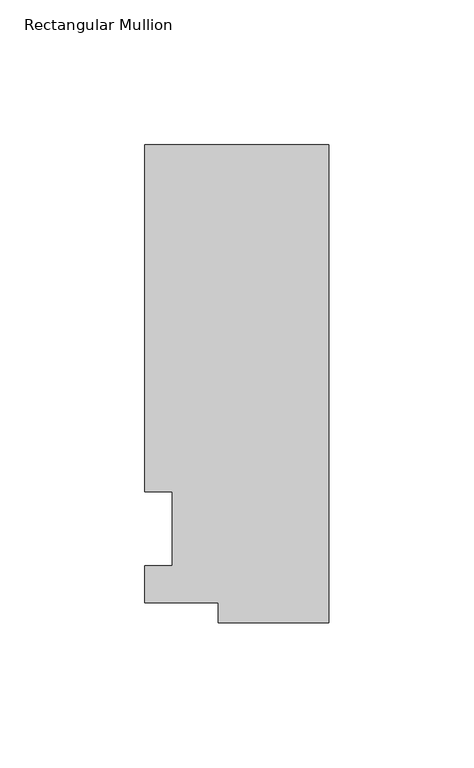
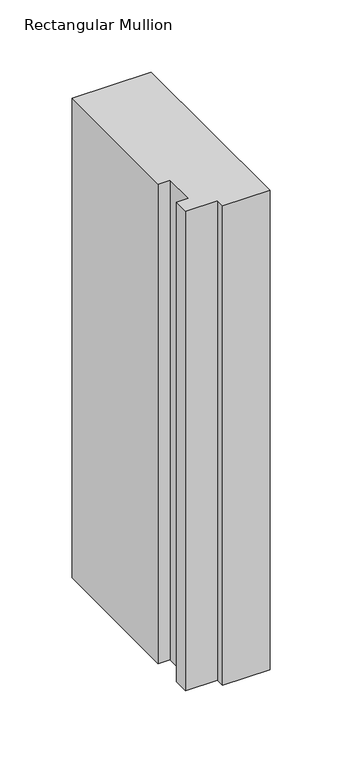
"""IFC4 building model written with IfcOpenShell, lengths in millimetres: member geometry, Rectangular Mullion."""

from ifc_helpers import new_model, si_unit, frame, origin, place, context, project, spatial, polyline, outline, extrude, source, transform, mapped, element, save


def rectangular_mullion_d4e86c1e(model_context):
    return source(origin(), model_context, "Body", "SweptSolid", [
        extrude(outline(polyline([(-38.1, -32.54375), (-38.1, -25.58415), (-63.5, -25.58415), (-63.5, -12.7), (-53.975, -12.7), (-53.975, 12.7), (-63.5, 12.7), (-63.5, 132.55625), (0.0, 132.55625), (0.0, -32.54375), (-38.1, -32.54375)])), frame((0.0, 0.0, -406.4), z_axis=(0.0, 0.0, 1.0), x_axis=(1.0, 0.0, 0.0)), (0.0, 0.0, 1.0), 406.4),
    ])


if __name__ == "__main__":
    model = new_model("IFC4")
    model_context = context("Model", 3, world=origin())
    ifc_project = project(units=[si_unit("LENGTHUNIT", "METRE", prefix="MILLI")], contexts=[model_context])
    site = spatial("IfcSite", under=ifc_project)
    building = spatial("IfcBuilding", under=site)
    placement = place(None, origin())
    rectangular_mullion_shape = rectangular_mullion_d4e86c1e(model_context)
    element("IfcMember", 1, ObjectType="Rectangular Mullion", at=placement, inside=building, context=model_context, shape_type="MappedRepresentation", body=[
        mapped(rectangular_mullion_shape, transform((0.0, 0.0, 0.0), x_axis=(1.0, 0.0, 0.0), y_axis=(0.0, 1.0, 0.0), z_axis=(0.0, 0.0, 1.0))),
    ])
    save(model, "model.ifc")
